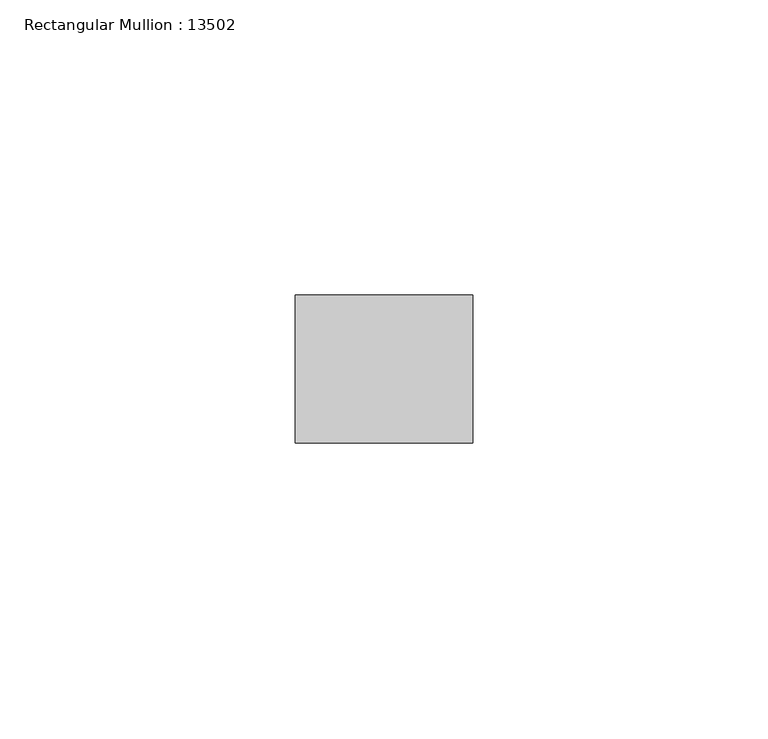
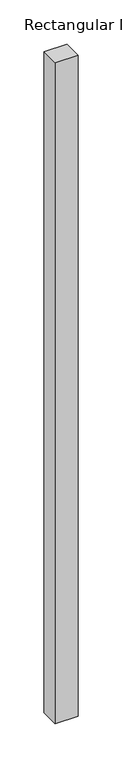
"""IFC4 building model written with IfcOpenShell, lengths in millimetres: member geometry, Rectangular Mullion : 13502."""

from ifc_helpers import new_model, si_unit, frame, origin, place, context, project, spatial, polyline, outline, extrude, source, transform, mapped, element, save


def rectangular_mullion_13502_07b43e34(model_context):
    return source(origin(), model_context, "Body", "SweptSolid", [
        extrude(outline(polyline([(-29.9999993, 12.5), (0.0, 12.5), (0.0, -12.5), (-29.9999993, -12.5), (-29.9999993, 12.5)])), frame((0.0, 0.0, -912.5), z_axis=(0.0, 0.0, 1.0), x_axis=(1.0, 0.0, 0.0)), (0.0, 0.0, 1.0), 912.5),
    ])


if __name__ == "__main__":
    model = new_model("IFC4")
    model_context = context("Model", 3, world=origin())
    ifc_project = project(units=[si_unit("LENGTHUNIT", "METRE", prefix="MILLI")], contexts=[model_context])
    site = spatial("IfcSite", under=ifc_project)
    building = spatial("IfcBuilding", under=site)
    placement = place(None, origin())
    rectangular_mullion_13502_shape = rectangular_mullion_13502_07b43e34(model_context)
    element("IfcMember", 1, ObjectType="Rectangular Mullion : 13502", at=placement, inside=building, context=model_context, shape_type="MappedRepresentation", body=[
        mapped(rectangular_mullion_13502_shape, transform((0.0, 0.0, 0.0), x_axis=(1.0, 0.0, 0.0), y_axis=(0.0, 1.0, 0.0), z_axis=(0.0, 0.0, 1.0))),
    ])
    save(model, "model.ifc")
